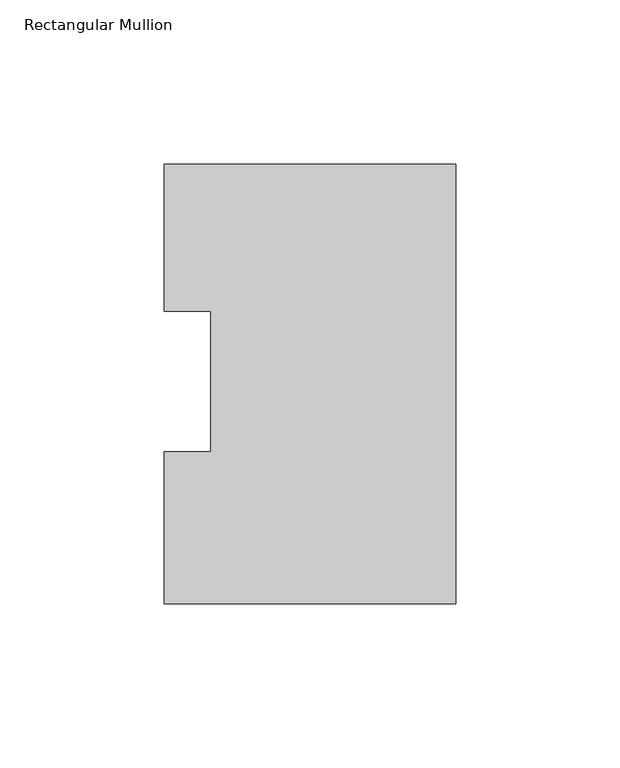
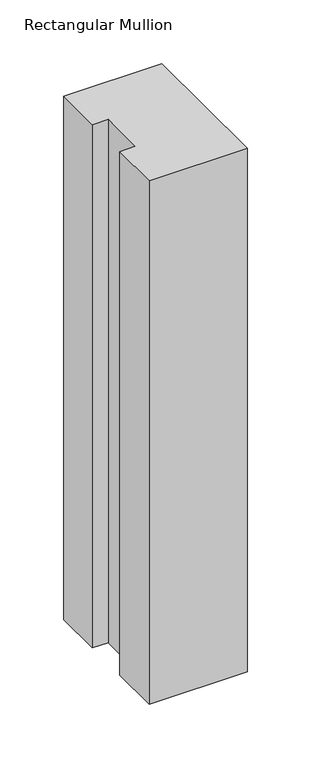
"""IFC4 building model written with IfcOpenShell, lengths in millimetres: member geometry, Rectangular Mullion."""

import ifcopenshell
import ifcopenshell.guid

model = None  # the IFC model being written
_history = None  # IfcOwnerHistory: only IFC2X3 demands one
_inside = {}  # id of a spatial element -> (the spatial element, [elements in it])
_under = {}  # id of a project, library or spatial element -> (it, [spatial elements below it])
_declared = {}  # id of a project -> (the project, [libraries it declares])
_typed = {}  # id of a type object -> (the type object, [elements of that type])
_made_of = {}  # id of a material, layer set ... -> (it, [elements and type objects made of it])


def new_model(schema):
    """Start an empty IFC model of exactly this schema.

    Asked for "IFC4X3", IfcOpenShell would pick the latest addendum, in which some entities
    have other attributes; the version numbers below select the first issue.
    IFC2X3 requires an IfcOwnerHistory on every rooted entity: one is made here for all.
    """
    global model, _history
    if schema == "IFC4X3":
        model = ifcopenshell.file(schema_version=(4, 3, 0, 0))
    else:
        model = ifcopenshell.file(schema=schema)
    _inside.clear()
    _under.clear()
    _declared.clear()
    _typed.clear()
    _made_of.clear()
    _history = None
    if model.schema == "IFC2X3":
        org = make("IfcOrganization", Name="unknown")
        user = make(
            "IfcPersonAndOrganization",
            ThePerson=make("IfcPerson", FamilyName="unknown"),
            TheOrganization=org,
        )
        app = make(
            "IfcApplication",
            ApplicationDeveloper=org,
            Version="unknown",
            ApplicationFullName="unknown",
            ApplicationIdentifier="unknown",
        )
        _history = make(
            "IfcOwnerHistory",
            OwningUser=user,
            OwningApplication=app,
            ChangeAction="ADDED",
            CreationDate=0,
        )
    return model


def make(cls, **values):
    """One entity of the class cls with the attributes given. An attribute that is None is left unset."""
    return model.create_entity(
        cls, **{name: value for name, value in values.items() if value is not None}
    )


def rooted(cls, **values):
    """An entity with a GlobalId (a new one), such as an element, a storey or a relation."""
    return make(cls, GlobalId=ifcopenshell.guid.new(), OwnerHistory=_history, **values)


def si_unit(unit_type, name, prefix=None):
    """IfcSIUnit, for example si_unit("LENGTHUNIT", "METRE", prefix="MILLI")."""
    return make("IfcSIUnit", UnitType=unit_type, Prefix=prefix, Name=name)


def assignment(units):
    """IfcUnitAssignment: the units of a project."""
    return None if units is None else make("IfcUnitAssignment", Units=units)


def point(xyz):
    """IfcCartesianPoint."""
    return None if xyz is None else make("IfcCartesianPoint", Coordinates=xyz)


def direction(xyz):
    """IfcDirection."""
    return None if xyz is None else make("IfcDirection", DirectionRatios=xyz)


def frame(location, z_axis=None, x_axis=None):
    """IfcAxis2Placement3D, a coordinate frame: its origin and axes. An axis left out is left unset."""
    return make(
        "IfcAxis2Placement3D",
        Location=point(location),
        Axis=direction(z_axis),
        RefDirection=direction(x_axis),
    )


def origin():
    """The frame at (0, 0, 0) with its axes left unset."""
    return frame((0.0, 0.0, 0.0))


def place(relative_to, where):
    """IfcLocalPlacement: puts the frame where relative to a parent placement (None: the world)."""
    return make(
        "IfcLocalPlacement", PlacementRelTo=relative_to, RelativePlacement=where
    )


def context(
    kind, dimensions, precision=None, world=None, true_north=None, identifier=None
):
    """IfcGeometricRepresentationContext, for example the 3D "Model" context."""
    return make(
        "IfcGeometricRepresentationContext",
        ContextIdentifier=identifier,
        ContextType=kind,
        CoordinateSpaceDimension=dimensions,
        Precision=precision,
        WorldCoordinateSystem=world,
        TrueNorth=true_north,
    )


def project(units=None, contexts=None):
    """IfcProject with its units and contexts."""
    return rooted(
        "IfcProject",
        Name="project",
        RepresentationContexts=contexts,
        UnitsInContext=assignment(units),
    )


def spatial(cls, under=None, at=None, **own):
    """A site, building, storey or space (cls), placed at a placement, below another one or the project."""
    s = rooted(cls, ObjectPlacement=at, **own)
    if under is not None:
        _under.setdefault(under.id(), (under, []))[1].append(s)
    return s


def polyline(points):
    """IfcPolyline through the points."""
    return make("IfcPolyline", Points=[point(p) for p in points])


def outline(outer, holes=None, kind="AREA"):
    """IfcArbitraryClosedProfileDef: a profile drawn as a closed curve; with holes, ...WithVoids."""
    if holes is None:
        return make("IfcArbitraryClosedProfileDef", ProfileType=kind, OuterCurve=outer)
    return make(
        "IfcArbitraryProfileDefWithVoids",
        ProfileType=kind,
        OuterCurve=outer,
        InnerCurves=holes,
    )


def extrude(swept, where, along, depth):
    """IfcExtrudedAreaSolid: the profile swept, set in the frame where, extruded along a direction by depth."""
    return make(
        "IfcExtrudedAreaSolid",
        SweptArea=swept,
        Position=where,
        ExtrudedDirection=direction(along),
        Depth=depth,
    )


def shape(context_of_items, identifier, shape_type, items):
    """IfcShapeRepresentation: the items that make up one representation, for example the "Body"."""
    return make(
        "IfcShapeRepresentation",
        ContextOfItems=context_of_items,
        RepresentationIdentifier=identifier,
        RepresentationType=shape_type,
        Items=items,
    )


def source(mapping_origin, context_of_items, identifier, shape_type, items):
    """IfcRepresentationMap: a shape defined once, which mapped items show again and again."""
    return make(
        "IfcRepresentationMap",
        MappingOrigin=mapping_origin,
        MappedRepresentation=shape(context_of_items, identifier, shape_type, items),
    )


def transform(
    local_origin,
    x_axis=None,
    y_axis=None,
    z_axis=None,
    scale=None,
    scale2=None,
    scale3=None,
    uniform=True,
):
    """IfcCartesianTransformationOperator3D, or its non-uniform kind. x_axis, y_axis, z_axis: its Axis1, 2, 3."""
    if uniform:
        return make(
            "IfcCartesianTransformationOperator3D",
            Axis1=direction(x_axis),
            Axis2=direction(y_axis),
            LocalOrigin=point(local_origin),
            Scale=scale,
            Axis3=direction(z_axis),
        )
    return make(
        "IfcCartesianTransformationOperator3DnonUniform",
        Axis1=direction(x_axis),
        Axis2=direction(y_axis),
        LocalOrigin=point(local_origin),
        Scale=scale,
        Axis3=direction(z_axis),
        Scale2=scale2,
        Scale3=scale3,
    )


def mapped(mapping_source, mapping_target):
    """IfcMappedItem: shows the shape of a source again, moved by a transform."""
    return make(
        "IfcMappedItem", MappingSource=mapping_source, MappingTarget=mapping_target
    )


def made_of(thing, what):
    """Note that an element or type object is made of a material, layer set ...; save() writes the relation."""
    if what is not None:
        _made_of.setdefault(what.id(), (what, []))[1].append(thing)
    return thing


def element(
    cls,
    number,
    at=None,
    inside=None,
    cuts=None,
    type_object=None,
    material=None,
    context=None,
    identifier="Body",
    shape_type=None,
    held_by="IfcProductDefinitionShape",
    body=None,
    shapes=None,
    **own,
):
    """One element of the class cls, such as IfcWall. Its Tag is "e" and its number.

    at: its placement. inside: the storey or other place that contains it. cuts: it is an
    opening in that element (IfcRelVoidsElement). A single representation is given by context,
    identifier, shape_type and body (its items); several are given by shapes. held_by: the class
    of the entity that holds the representations. save() writes the other relations.
    """
    e = rooted(cls, Tag="e%d" % number, ObjectPlacement=at, **own)
    if body is not None:
        shapes = [shape(context, identifier, shape_type, body)]
    if shapes is not None:
        e.Representation = make(held_by, Representations=shapes)
    if inside is not None:
        _inside.setdefault(inside.id(), (inside, []))[1].append(e)
    if cuts is not None:
        rooted(
            "IfcRelVoidsElement", RelatingBuildingElement=cuts, RelatedOpeningElement=e
        )
    if type_object is not None:
        _typed.setdefault(type_object.id(), (type_object, []))[1].append(e)
    return made_of(e, material)


def aggregate(whole, parts):
    """IfcRelAggregates: a whole, such as a stair, and the parts it consists of."""
    return rooted("IfcRelAggregates", RelatingObject=whole, RelatedObjects=parts)


def save(model, path):
    """Write the relations noted so far, then the file.

    IfcRelAggregates (storeys below a building ...), IfcRelContainedInSpatialStructure (elements
    in a storey), IfcRelDefinesByType, IfcRelAssociatesMaterial and IfcRelDeclares: one each for
    every whole, place, type object, material and project.
    """
    for whole, parts in _under.values():
        aggregate(whole, parts)
    for where, things in _inside.values():
        rooted(
            "IfcRelContainedInSpatialStructure",
            RelatedElements=things,
            RelatingStructure=where,
        )
    for kind, things in _typed.values():
        rooted("IfcRelDefinesByType", RelatedObjects=things, RelatingType=kind)
    for what, things in _made_of.values():
        rooted("IfcRelAssociatesMaterial", RelatedObjects=things, RelatingMaterial=what)
    for by, libraries in _declared.values():
        rooted("IfcRelDeclares", RelatingContext=by, RelatedDefinitions=libraries)
    model.write(path)


def rectangular_mullion_9ccd36c8(model_context):
    return source(origin(), model_context, "Body", "SweptSolid", [
        extrude(outline(polyline([(0.0, 130.0368875), (0.0, -3.9735125), (-88.9, -3.9735125), (-88.9, 42.2798875), (-74.6252, 42.2798875), (-74.6252, 85.1296875), (-88.9, 85.1296875), (-88.9, 130.0368875), (0.0, 130.0368875)])), frame((0.0, 0.0, -501.65), z_axis=(0.0, 0.0, 1.0), x_axis=(1.0, 0.0, 0.0)), (0.0, 0.0, 1.0), 501.65),
    ])


if __name__ == "__main__":
    model = new_model("IFC4")
    model_context = context("Model", 3, world=origin())
    ifc_project = project(units=[si_unit("LENGTHUNIT", "METRE", prefix="MILLI")], contexts=[model_context])
    site = spatial("IfcSite", under=ifc_project)
    building = spatial("IfcBuilding", under=site)
    placement = place(None, origin())
    rectangular_mullion_shape = rectangular_mullion_9ccd36c8(model_context)
    element("IfcMember", 1, ObjectType="Rectangular Mullion", at=placement, inside=building, context=model_context, shape_type="MappedRepresentation", body=[
        mapped(rectangular_mullion_shape, transform((0.0, 0.0, 0.0), x_axis=(1.0, 0.0, 0.0), y_axis=(0.0, 1.0, 0.0), z_axis=(0.0, 0.0, 1.0))),
    ])
    save(model, "model.ifc")
